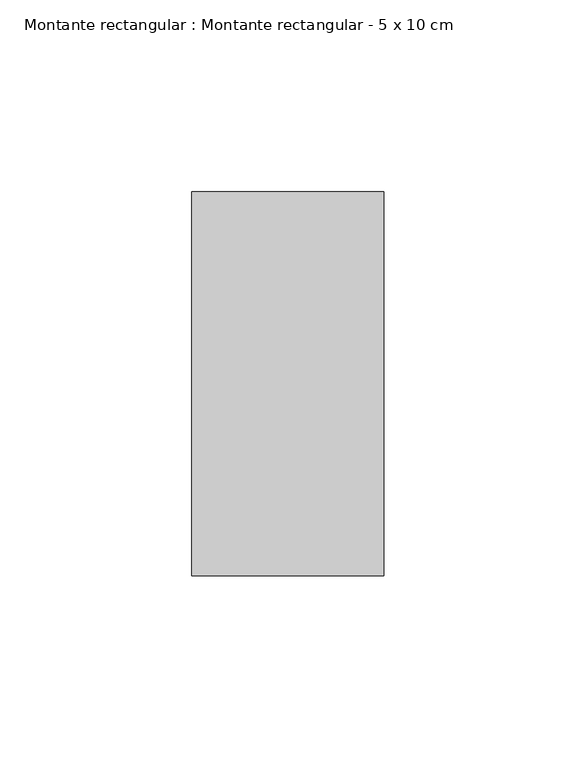
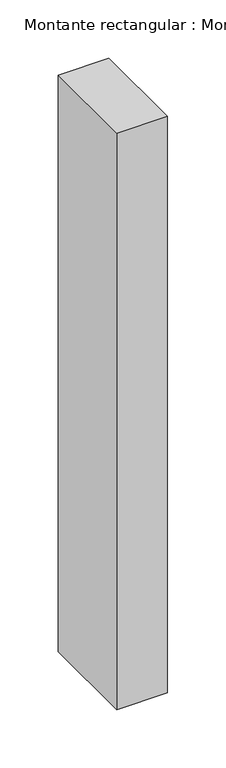
"""IFC4 building model written with IfcOpenShell, lengths in millimetres: member geometry, Montante rectangular : Montante rectangular - 5 x 10 cm."""

import ifcopenshell
import ifcopenshell.guid

model = None  # the IFC model being written
_history = None  # IfcOwnerHistory: only IFC2X3 demands one
_inside = {}  # id of a spatial element -> (the spatial element, [elements in it])
_under = {}  # id of a project, library or spatial element -> (it, [spatial elements below it])
_declared = {}  # id of a project -> (the project, [libraries it declares])
_typed = {}  # id of a type object -> (the type object, [elements of that type])
_made_of = {}  # id of a material, layer set ... -> (it, [elements and type objects made of it])


def new_model(schema):
    """Start an empty IFC model of exactly this schema.

    Asked for "IFC4X3", IfcOpenShell would pick the latest addendum, in which some entities
    have other attributes; the version numbers below select the first issue.
    IFC2X3 requires an IfcOwnerHistory on every rooted entity: one is made here for all.
    """
    global model, _history
    if schema == "IFC4X3":
        model = ifcopenshell.file(schema_version=(4, 3, 0, 0))
    else:
        model = ifcopenshell.file(schema=schema)
    _inside.clear()
    _under.clear()
    _declared.clear()
    _typed.clear()
    _made_of.clear()
    _history = None
    if model.schema == "IFC2X3":
        org = make("IfcOrganization", Name="unknown")
        user = make(
            "IfcPersonAndOrganization",
            ThePerson=make("IfcPerson", FamilyName="unknown"),
            TheOrganization=org,
        )
        app = make(
            "IfcApplication",
            ApplicationDeveloper=org,
            Version="unknown",
            ApplicationFullName="unknown",
            ApplicationIdentifier="unknown",
        )
        _history = make(
            "IfcOwnerHistory",
            OwningUser=user,
            OwningApplication=app,
            ChangeAction="ADDED",
            CreationDate=0,
        )
    return model


def make(cls, **values):
    """One entity of the class cls with the attributes given. An attribute that is None is left unset."""
    return model.create_entity(
        cls, **{name: value for name, value in values.items() if value is not None}
    )


def rooted(cls, **values):
    """An entity with a GlobalId (a new one), such as an element, a storey or a relation."""
    return make(cls, GlobalId=ifcopenshell.guid.new(), OwnerHistory=_history, **values)


def si_unit(unit_type, name, prefix=None):
    """IfcSIUnit, for example si_unit("LENGTHUNIT", "METRE", prefix="MILLI")."""
    return make("IfcSIUnit", UnitType=unit_type, Prefix=prefix, Name=name)


def assignment(units):
    """IfcUnitAssignment: the units of a project."""
    return None if units is None else make("IfcUnitAssignment", Units=units)


def point(xyz):
    """IfcCartesianPoint."""
    return None if xyz is None else make("IfcCartesianPoint", Coordinates=xyz)


def direction(xyz):
    """IfcDirection."""
    return None if xyz is None else make("IfcDirection", DirectionRatios=xyz)


def frame(location, z_axis=None, x_axis=None):
    """IfcAxis2Placement3D, a coordinate frame: its origin and axes. An axis left out is left unset."""
    return make(
        "IfcAxis2Placement3D",
        Location=point(location),
        Axis=direction(z_axis),
        RefDirection=direction(x_axis),
    )


def origin():
    """The frame at (0, 0, 0) with its axes left unset."""
    return frame((0.0, 0.0, 0.0))


def place(relative_to, where):
    """IfcLocalPlacement: puts the frame where relative to a parent placement (None: the world)."""
    return make(
        "IfcLocalPlacement", PlacementRelTo=relative_to, RelativePlacement=where
    )


def context(
    kind, dimensions, precision=None, world=None, true_north=None, identifier=None
):
    """IfcGeometricRepresentationContext, for example the 3D "Model" context."""
    return make(
        "IfcGeometricRepresentationContext",
        ContextIdentifier=identifier,
        ContextType=kind,
        CoordinateSpaceDimension=dimensions,
        Precision=precision,
        WorldCoordinateSystem=world,
        TrueNorth=true_north,
    )


def project(units=None, contexts=None):
    """IfcProject with its units and contexts."""
    return rooted(
        "IfcProject",
        Name="project",
        RepresentationContexts=contexts,
        UnitsInContext=assignment(units),
    )


def spatial(cls, under=None, at=None, **own):
    """A site, building, storey or space (cls), placed at a placement, below another one or the project."""
    s = rooted(cls, ObjectPlacement=at, **own)
    if under is not None:
        _under.setdefault(under.id(), (under, []))[1].append(s)
    return s


def polyline(points):
    """IfcPolyline through the points."""
    return make("IfcPolyline", Points=[point(p) for p in points])


def outline(outer, holes=None, kind="AREA"):
    """IfcArbitraryClosedProfileDef: a profile drawn as a closed curve; with holes, ...WithVoids."""
    if holes is None:
        return make("IfcArbitraryClosedProfileDef", ProfileType=kind, OuterCurve=outer)
    return make(
        "IfcArbitraryProfileDefWithVoids",
        ProfileType=kind,
        OuterCurve=outer,
        InnerCurves=holes,
    )


def extrude(swept, where, along, depth):
    """IfcExtrudedAreaSolid: the profile swept, set in the frame where, extruded along a direction by depth."""
    return make(
        "IfcExtrudedAreaSolid",
        SweptArea=swept,
        Position=where,
        ExtrudedDirection=direction(along),
        Depth=depth,
    )


def shape(context_of_items, identifier, shape_type, items):
    """IfcShapeRepresentation: the items that make up one representation, for example the "Body"."""
    return make(
        "IfcShapeRepresentation",
        ContextOfItems=context_of_items,
        RepresentationIdentifier=identifier,
        RepresentationType=shape_type,
        Items=items,
    )


def source(mapping_origin, context_of_items, identifier, shape_type, items):
    """IfcRepresentationMap: a shape defined once, which mapped items show again and again."""
    return make(
        "IfcRepresentationMap",
        MappingOrigin=mapping_origin,
        MappedRepresentation=shape(context_of_items, identifier, shape_type, items),
    )


def transform(
    local_origin,
    x_axis=None,
    y_axis=None,
    z_axis=None,
    scale=None,
    scale2=None,
    scale3=None,
    uniform=True,
):
    """IfcCartesianTransformationOperator3D, or its non-uniform kind. x_axis, y_axis, z_axis: its Axis1, 2, 3."""
    if uniform:
        return make(
            "IfcCartesianTransformationOperator3D",
            Axis1=direction(x_axis),
            Axis2=direction(y_axis),
            LocalOrigin=point(local_origin),
            Scale=scale,
            Axis3=direction(z_axis),
        )
    return make(
        "IfcCartesianTransformationOperator3DnonUniform",
        Axis1=direction(x_axis),
        Axis2=direction(y_axis),
        LocalOrigin=point(local_origin),
        Scale=scale,
        Axis3=direction(z_axis),
        Scale2=scale2,
        Scale3=scale3,
    )


def mapped(mapping_source, mapping_target):
    """IfcMappedItem: shows the shape of a source again, moved by a transform."""
    return make(
        "IfcMappedItem", MappingSource=mapping_source, MappingTarget=mapping_target
    )


def made_of(thing, what):
    """Note that an element or type object is made of a material, layer set ...; save() writes the relation."""
    if what is not None:
        _made_of.setdefault(what.id(), (what, []))[1].append(thing)
    return thing


def element(
    cls,
    number,
    at=None,
    inside=None,
    cuts=None,
    type_object=None,
    material=None,
    context=None,
    identifier="Body",
    shape_type=None,
    held_by="IfcProductDefinitionShape",
    body=None,
    shapes=None,
    **own,
):
    """One element of the class cls, such as IfcWall. Its Tag is "e" and its number.

    at: its placement. inside: the storey or other place that contains it. cuts: it is an
    opening in that element (IfcRelVoidsElement). A single representation is given by context,
    identifier, shape_type and body (its items); several are given by shapes. held_by: the class
    of the entity that holds the representations. save() writes the other relations.
    """
    e = rooted(cls, Tag="e%d" % number, ObjectPlacement=at, **own)
    if body is not None:
        shapes = [shape(context, identifier, shape_type, body)]
    if shapes is not None:
        e.Representation = make(held_by, Representations=shapes)
    if inside is not None:
        _inside.setdefault(inside.id(), (inside, []))[1].append(e)
    if cuts is not None:
        rooted(
            "IfcRelVoidsElement", RelatingBuildingElement=cuts, RelatedOpeningElement=e
        )
    if type_object is not None:
        _typed.setdefault(type_object.id(), (type_object, []))[1].append(e)
    return made_of(e, material)


def aggregate(whole, parts):
    """IfcRelAggregates: a whole, such as a stair, and the parts it consists of."""
    return rooted("IfcRelAggregates", RelatingObject=whole, RelatedObjects=parts)


def save(model, path):
    """Write the relations noted so far, then the file.

    IfcRelAggregates (storeys below a building ...), IfcRelContainedInSpatialStructure (elements
    in a storey), IfcRelDefinesByType, IfcRelAssociatesMaterial and IfcRelDeclares: one each for
    every whole, place, type object, material and project.
    """
    for whole, parts in _under.values():
        aggregate(whole, parts)
    for where, things in _inside.values():
        rooted(
            "IfcRelContainedInSpatialStructure",
            RelatedElements=things,
            RelatingStructure=where,
        )
    for kind, things in _typed.values():
        rooted("IfcRelDefinesByType", RelatedObjects=things, RelatingType=kind)
    for what, things in _made_of.values():
        rooted("IfcRelAssociatesMaterial", RelatedObjects=things, RelatingMaterial=what)
    for by, libraries in _declared.values():
        rooted("IfcRelDeclares", RelatingContext=by, RelatedDefinitions=libraries)
    model.write(path)


def montante_rectangular_montante_rectangular_5_x_10_cm_0dd98e5b(model_context):
    return source(origin(), model_context, "Body", "SweptSolid", [
        extrude(outline(polyline([(-50.0, 50.0), (0.0, 50.0), (0.0, -50.0), (-50.0, -50.0), (-50.0, 50.0)])), frame((0.0, 0.0, -603.0), z_axis=(0.0, 0.0, 1.0), x_axis=(1.0, 0.0, 0.0)), (0.0, 0.0, 1.0), 603.0),
    ])


if __name__ == "__main__":
    model = new_model("IFC4")
    model_context = context("Model", 3, world=origin())
    ifc_project = project(units=[si_unit("LENGTHUNIT", "METRE", prefix="MILLI")], contexts=[model_context])
    site = spatial("IfcSite", under=ifc_project)
    building = spatial("IfcBuilding", under=site)
    placement = place(None, origin())
    montante_rectangular_montante_rectangular_5_x_10_cm_shape = montante_rectangular_montante_rectangular_5_x_10_cm_0dd98e5b(model_context)
    element("IfcMember", 1, ObjectType="Montante rectangular : Montante rectangular - 5 x 10 cm", at=placement, inside=building, context=model_context, shape_type="MappedRepresentation", body=[
        mapped(montante_rectangular_montante_rectangular_5_x_10_cm_shape, transform((0.0, 0.0, 0.0), x_axis=(1.0, 0.0, 0.0), y_axis=(0.0, 1.0, 0.0), z_axis=(0.0, 0.0, 1.0))),
    ])
    save(model, "model.ifc")
